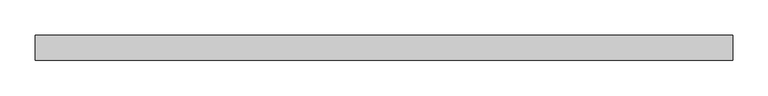
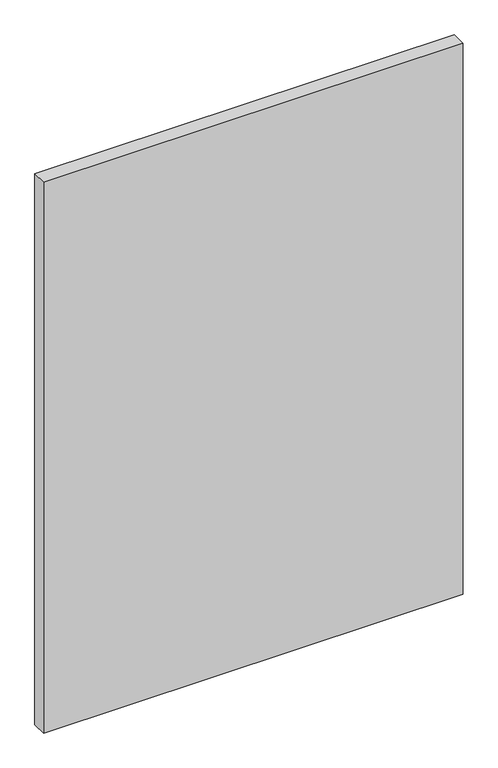
"""IFC4 building model written with IfcOpenShell, lengths in millimetres: plate geometry."""

import ifcopenshell
import ifcopenshell.guid

model = None  # the IFC model being written
_history = None  # IfcOwnerHistory: only IFC2X3 demands one
_inside = {}  # id of a spatial element -> (the spatial element, [elements in it])
_under = {}  # id of a project, library or spatial element -> (it, [spatial elements below it])
_declared = {}  # id of a project -> (the project, [libraries it declares])
_typed = {}  # id of a type object -> (the type object, [elements of that type])
_made_of = {}  # id of a material, layer set ... -> (it, [elements and type objects made of it])


def new_model(schema):
    """Start an empty IFC model of exactly this schema.

    Asked for "IFC4X3", IfcOpenShell would pick the latest addendum, in which some entities
    have other attributes; the version numbers below select the first issue.
    IFC2X3 requires an IfcOwnerHistory on every rooted entity: one is made here for all.
    """
    global model, _history
    if schema == "IFC4X3":
        model = ifcopenshell.file(schema_version=(4, 3, 0, 0))
    else:
        model = ifcopenshell.file(schema=schema)
    _inside.clear()
    _under.clear()
    _declared.clear()
    _typed.clear()
    _made_of.clear()
    _history = None
    if model.schema == "IFC2X3":
        org = make("IfcOrganization", Name="unknown")
        user = make(
            "IfcPersonAndOrganization",
            ThePerson=make("IfcPerson", FamilyName="unknown"),
            TheOrganization=org,
        )
        app = make(
            "IfcApplication",
            ApplicationDeveloper=org,
            Version="unknown",
            ApplicationFullName="unknown",
            ApplicationIdentifier="unknown",
        )
        _history = make(
            "IfcOwnerHistory",
            OwningUser=user,
            OwningApplication=app,
            ChangeAction="ADDED",
            CreationDate=0,
        )
    return model


def make(cls, **values):
    """One entity of the class cls with the attributes given. An attribute that is None is left unset."""
    return model.create_entity(
        cls, **{name: value for name, value in values.items() if value is not None}
    )


def rooted(cls, **values):
    """An entity with a GlobalId (a new one), such as an element, a storey or a relation."""
    return make(cls, GlobalId=ifcopenshell.guid.new(), OwnerHistory=_history, **values)


def si_unit(unit_type, name, prefix=None):
    """IfcSIUnit, for example si_unit("LENGTHUNIT", "METRE", prefix="MILLI")."""
    return make("IfcSIUnit", UnitType=unit_type, Prefix=prefix, Name=name)


def assignment(units):
    """IfcUnitAssignment: the units of a project."""
    return None if units is None else make("IfcUnitAssignment", Units=units)


def point(xyz):
    """IfcCartesianPoint."""
    return None if xyz is None else make("IfcCartesianPoint", Coordinates=xyz)


def direction(xyz):
    """IfcDirection."""
    return None if xyz is None else make("IfcDirection", DirectionRatios=xyz)


def frame(location, z_axis=None, x_axis=None):
    """IfcAxis2Placement3D, a coordinate frame: its origin and axes. An axis left out is left unset."""
    return make(
        "IfcAxis2Placement3D",
        Location=point(location),
        Axis=direction(z_axis),
        RefDirection=direction(x_axis),
    )


def origin():
    """The frame at (0, 0, 0) with its axes left unset."""
    return frame((0.0, 0.0, 0.0))


def origin_with_axes():
    """The frame at (0, 0, 0) with the z axis (0, 0, 1) and the x axis (1, 0, 0) written out."""
    return frame((0.0, 0.0, 0.0), z_axis=(0.0, 0.0, 1.0), x_axis=(1.0, 0.0, 0.0))


def place(relative_to, where):
    """IfcLocalPlacement: puts the frame where relative to a parent placement (None: the world)."""
    return make(
        "IfcLocalPlacement", PlacementRelTo=relative_to, RelativePlacement=where
    )


def context(
    kind, dimensions, precision=None, world=None, true_north=None, identifier=None
):
    """IfcGeometricRepresentationContext, for example the 3D "Model" context."""
    return make(
        "IfcGeometricRepresentationContext",
        ContextIdentifier=identifier,
        ContextType=kind,
        CoordinateSpaceDimension=dimensions,
        Precision=precision,
        WorldCoordinateSystem=world,
        TrueNorth=true_north,
    )


def project(units=None, contexts=None):
    """IfcProject with its units and contexts."""
    return rooted(
        "IfcProject",
        Name="project",
        RepresentationContexts=contexts,
        UnitsInContext=assignment(units),
    )


def spatial(cls, under=None, at=None, **own):
    """A site, building, storey or space (cls), placed at a placement, below another one or the project."""
    s = rooted(cls, ObjectPlacement=at, **own)
    if under is not None:
        _under.setdefault(under.id(), (under, []))[1].append(s)
    return s


def polyline(points):
    """IfcPolyline through the points."""
    return make("IfcPolyline", Points=[point(p) for p in points])


def outline(outer, holes=None, kind="AREA"):
    """IfcArbitraryClosedProfileDef: a profile drawn as a closed curve; with holes, ...WithVoids."""
    if holes is None:
        return make("IfcArbitraryClosedProfileDef", ProfileType=kind, OuterCurve=outer)
    return make(
        "IfcArbitraryProfileDefWithVoids",
        ProfileType=kind,
        OuterCurve=outer,
        InnerCurves=holes,
    )


def extrude(swept, where, along, depth):
    """IfcExtrudedAreaSolid: the profile swept, set in the frame where, extruded along a direction by depth."""
    return make(
        "IfcExtrudedAreaSolid",
        SweptArea=swept,
        Position=where,
        ExtrudedDirection=direction(along),
        Depth=depth,
    )


def shape(context_of_items, identifier, shape_type, items):
    """IfcShapeRepresentation: the items that make up one representation, for example the "Body"."""
    return make(
        "IfcShapeRepresentation",
        ContextOfItems=context_of_items,
        RepresentationIdentifier=identifier,
        RepresentationType=shape_type,
        Items=items,
    )


def source(mapping_origin, context_of_items, identifier, shape_type, items):
    """IfcRepresentationMap: a shape defined once, which mapped items show again and again."""
    return make(
        "IfcRepresentationMap",
        MappingOrigin=mapping_origin,
        MappedRepresentation=shape(context_of_items, identifier, shape_type, items),
    )


def transform(
    local_origin,
    x_axis=None,
    y_axis=None,
    z_axis=None,
    scale=None,
    scale2=None,
    scale3=None,
    uniform=True,
):
    """IfcCartesianTransformationOperator3D, or its non-uniform kind. x_axis, y_axis, z_axis: its Axis1, 2, 3."""
    if uniform:
        return make(
            "IfcCartesianTransformationOperator3D",
            Axis1=direction(x_axis),
            Axis2=direction(y_axis),
            LocalOrigin=point(local_origin),
            Scale=scale,
            Axis3=direction(z_axis),
        )
    return make(
        "IfcCartesianTransformationOperator3DnonUniform",
        Axis1=direction(x_axis),
        Axis2=direction(y_axis),
        LocalOrigin=point(local_origin),
        Scale=scale,
        Axis3=direction(z_axis),
        Scale2=scale2,
        Scale3=scale3,
    )


def mapped(mapping_source, mapping_target):
    """IfcMappedItem: shows the shape of a source again, moved by a transform."""
    return make(
        "IfcMappedItem", MappingSource=mapping_source, MappingTarget=mapping_target
    )


def made_of(thing, what):
    """Note that an element or type object is made of a material, layer set ...; save() writes the relation."""
    if what is not None:
        _made_of.setdefault(what.id(), (what, []))[1].append(thing)
    return thing


def element(
    cls,
    number,
    at=None,
    inside=None,
    cuts=None,
    type_object=None,
    material=None,
    context=None,
    identifier="Body",
    shape_type=None,
    held_by="IfcProductDefinitionShape",
    body=None,
    shapes=None,
    **own,
):
    """One element of the class cls, such as IfcWall. Its Tag is "e" and its number.

    at: its placement. inside: the storey or other place that contains it. cuts: it is an
    opening in that element (IfcRelVoidsElement). A single representation is given by context,
    identifier, shape_type and body (its items); several are given by shapes. held_by: the class
    of the entity that holds the representations. save() writes the other relations.
    """
    e = rooted(cls, Tag="e%d" % number, ObjectPlacement=at, **own)
    if body is not None:
        shapes = [shape(context, identifier, shape_type, body)]
    if shapes is not None:
        e.Representation = make(held_by, Representations=shapes)
    if inside is not None:
        _inside.setdefault(inside.id(), (inside, []))[1].append(e)
    if cuts is not None:
        rooted(
            "IfcRelVoidsElement", RelatingBuildingElement=cuts, RelatedOpeningElement=e
        )
    if type_object is not None:
        _typed.setdefault(type_object.id(), (type_object, []))[1].append(e)
    return made_of(e, material)


def aggregate(whole, parts):
    """IfcRelAggregates: a whole, such as a stair, and the parts it consists of."""
    return rooted("IfcRelAggregates", RelatingObject=whole, RelatedObjects=parts)


def save(model, path):
    """Write the relations noted so far, then the file.

    IfcRelAggregates (storeys below a building ...), IfcRelContainedInSpatialStructure (elements
    in a storey), IfcRelDefinesByType, IfcRelAssociatesMaterial and IfcRelDeclares: one each for
    every whole, place, type object, material and project.
    """
    for whole, parts in _under.values():
        aggregate(whole, parts)
    for where, things in _inside.values():
        rooted(
            "IfcRelContainedInSpatialStructure",
            RelatedElements=things,
            RelatingStructure=where,
        )
    for kind, things in _typed.values():
        rooted("IfcRelDefinesByType", RelatedObjects=things, RelatingType=kind)
    for what, things in _made_of.values():
        rooted("IfcRelAssociatesMaterial", RelatedObjects=things, RelatingMaterial=what)
    for by, libraries in _declared.values():
        rooted("IfcRelDeclares", RelatingContext=by, RelatedDefinitions=libraries)
    model.write(path)


def plate_e6bdb611(model_context):
    return source(origin(), model_context, "Body", "SweptSolid", [
        extrude(outline(polyline([(491.3125, -17.5), (-491.3125, -17.5), (-491.3125, 17.5), (491.3125, 17.5), (491.3125, -17.5)])), origin_with_axes(), (0.0, 0.0, 1.0), 1362.5560565),
    ])


if __name__ == "__main__":
    model = new_model("IFC4")
    model_context = context("Model", 3, world=origin())
    ifc_project = project(units=[si_unit("LENGTHUNIT", "METRE", prefix="MILLI")], contexts=[model_context])
    site = spatial("IfcSite", under=ifc_project)
    building = spatial("IfcBuilding", under=site)
    placement = place(None, origin())
    plate_shape = plate_e6bdb611(model_context)
    element("IfcPlate", 1, at=placement, inside=building, context=model_context, shape_type="MappedRepresentation", body=[
        mapped(plate_shape, transform((0.0, 0.0, 0.0), x_axis=(1.0, 0.0, 0.0), y_axis=(0.0, 1.0, 0.0), z_axis=(0.0, 0.0, 1.0))),
    ])
    save(model, "model.ifc")
